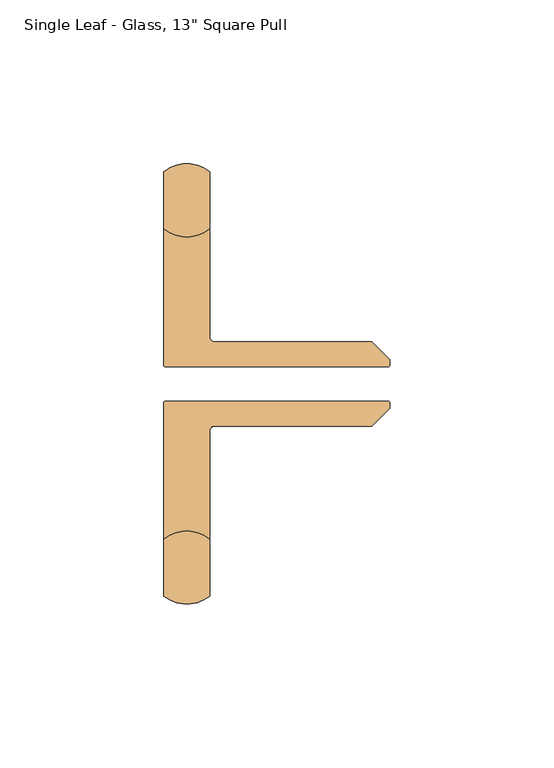
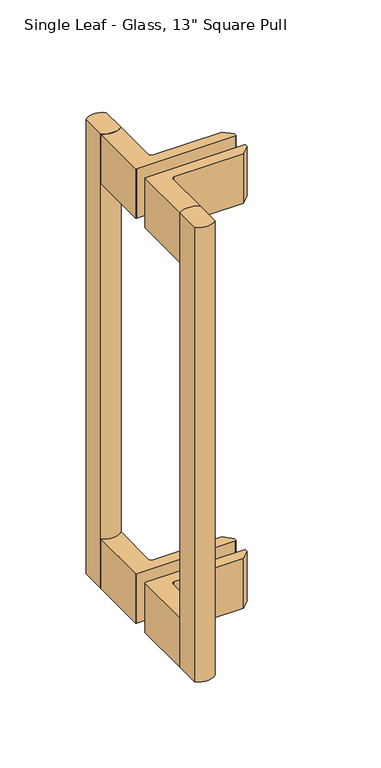
"""IFC4 building model written with IfcOpenShell, lengths in millimetres: door geometry."""

from ifc_helpers import new_model, si_unit, point, frame, frame_2d, origin, place, context, project, spatial, polyline, circle_curve, trimmed, segment, composite_curve, outline, extrude, source, transform, mapped, element, save


def door_c2889df7(model_context):
    return source(origin(), model_context, "Body", "SweptSolid", [
        extrude(outline(composite_curve([segment(trimmed(circle_curve(frame_2d((-43.9125001, 55.3578)), 11.15), [point((-50.9125001, 64.0366536))], [point((-36.9125001, 64.0366536))], False, "CARTESIAN"), True, "CONTINUOUS"), segment(polyline([(-36.9125001, 64.0366536), (-36.9125001, 46.6789464)]), True, "CONTINUOUS"), segment(trimmed(circle_curve(frame_2d((-43.9125001, 55.3578)), 11.15), [point((-36.9125001, 46.6789464))], [point((-50.9125001, 46.6789464))], False, "CARTESIAN"), True, "CONTINUOUS"), segment(polyline([(-50.9125001, 46.6789464), (-50.9125001, 64.0366536)]), True, "CONTINUOUS")], self_intersect=False)), frame((0.0, 0.0, -108.492), z_axis=(0.0, 0.0, 1.0), x_axis=(1.0, 0.0, 0.0)), (0.0, 0.0, 1.0), 330.0),
        extrude(outline(composite_curve([segment(polyline([(-50.9125001, -65.4366536), (-50.9125001, -48.0789464)]), True, "CONTINUOUS"), segment(trimmed(circle_curve(frame_2d((-43.9125001, -56.7578)), 11.15), [point((-50.9125001, -48.0789464))], [point((-36.9125001, -48.0789464))], False, "CARTESIAN"), True, "CONTINUOUS"), segment(polyline([(-36.9125001, -48.0789464), (-36.9125001, -65.4366536)]), True, "CONTINUOUS"), segment(trimmed(circle_curve(frame_2d((-43.9125001, -56.7578)), 11.15), [point((-36.9125001, -65.4366536))], [point((-50.9125001, -65.4366536))], False, "CARTESIAN"), True, "CONTINUOUS")], self_intersect=False)), frame((0.0, 0.0, -108.492), z_axis=(0.0, 0.0, 1.0), x_axis=(1.0, 0.0, 0.0)), (0.0, 0.0, 1.0), 330.0),
        extrude(outline(composite_curve([segment(trimmed(circle_curve(frame_2d((-43.9125001, 55.3578)), 11.15), [point((-50.9125001, 46.6789464))], [point((-36.9125001, 46.6789464))], True, "CARTESIAN"), True, "CONTINUOUS"), segment(polyline([(-36.9125001, 46.6789464), (-36.9125001, 13.6698)]), True, "CONTINUOUS"), segment(trimmed(circle_curve(frame_2d((-35.4125001, 13.6698)), 1.5), [point((-36.9125001, 13.6698))], [point((-35.4125001, 12.1698))], True, "CARTESIAN"), True, "CONTINUOUS"), segment(polyline([(-35.4125001, 12.1698), (12.5392102, 12.1698), (18.0, 6.7090102), (18.0, 5.0578)]), True, "CONTINUOUS"), segment(trimmed(circle_curve(frame_2d((17.5, 5.0578)), 0.5), [point((18.0, 5.0578))], [point((17.5, 4.5578))], False, "CARTESIAN"), True, "CONTINUOUS"), segment(polyline([(17.5, 4.5578), (-50.4125001, 4.5578)]), True, "CONTINUOUS"), segment(trimmed(circle_curve(frame_2d((-50.4125001, 5.0578)), 0.5), [point((-50.4125001, 4.5578))], [point((-50.9125001, 5.0578))], False, "CARTESIAN"), True, "CONTINUOUS"), segment(polyline([(-50.9125001, 5.0578), (-50.9125001, 46.6789464)]), True, "CONTINUOUS")], self_intersect=False)), frame((0.0, 0.0, 185.508), z_axis=(0.0, 0.0, 1.0), x_axis=(1.0, 0.0, 0.0)), (0.0, 0.0, 1.0), 36.0),
        extrude(outline(composite_curve([segment(trimmed(circle_curve(frame_2d((-50.4125001, -6.4578)), 0.5), [point((-50.9125001, -6.4578))], [point((-50.4125001, -5.9578))], False, "CARTESIAN"), True, "CONTINUOUS"), segment(polyline([(-50.4125001, -5.9578), (17.5, -5.9578)]), True, "CONTINUOUS"), segment(trimmed(circle_curve(frame_2d((17.5, -6.4578)), 0.5), [point((17.5, -5.9578))], [point((18.0, -6.4578))], False, "CARTESIAN"), True, "CONTINUOUS"), segment(polyline([(18.0, -6.4578), (18.0, -8.1090102), (12.5392102, -13.5698), (-35.4125001, -13.5698)]), True, "CONTINUOUS"), segment(trimmed(circle_curve(frame_2d((-35.4125001, -15.0698)), 1.5), [point((-35.4125001, -13.5698))], [point((-36.9125001, -15.0698))], True, "CARTESIAN"), True, "CONTINUOUS"), segment(polyline([(-36.9125001, -15.0698), (-36.9125001, -48.0789464)]), True, "CONTINUOUS"), segment(trimmed(circle_curve(frame_2d((-43.9125001, -56.7578)), 11.15), [point((-36.9125001, -48.0789464))], [point((-50.9125001, -48.0789464))], True, "CARTESIAN"), True, "CONTINUOUS"), segment(polyline([(-50.9125001, -48.0789464), (-50.9125001, -6.4578)]), True, "CONTINUOUS")], self_intersect=False)), frame((0.0, 0.0, 185.508), z_axis=(0.0, 0.0, 1.0), x_axis=(1.0, 0.0, 0.0)), (0.0, 0.0, 1.0), 36.0),
        extrude(outline(composite_curve([segment(polyline([(-50.9125001, 5.0578), (-50.9125001, 46.6789464)]), True, "CONTINUOUS"), segment(trimmed(circle_curve(frame_2d((-43.9125001, 55.3578)), 11.15), [point((-50.9125001, 46.6789464))], [point((-36.9125001, 46.6789464))], True, "CARTESIAN"), True, "CONTINUOUS"), segment(polyline([(-36.9125001, 46.6789464), (-36.9125001, 13.6698)]), True, "CONTINUOUS"), segment(trimmed(circle_curve(frame_2d((-35.4125001, 13.6698)), 1.5), [point((-36.9125001, 13.6698))], [point((-35.4125001, 12.1698))], True, "CARTESIAN"), True, "CONTINUOUS"), segment(polyline([(-35.4125001, 12.1698), (12.5392102, 12.1698), (18.0, 6.7090102), (18.0, 5.0578)]), True, "CONTINUOUS"), segment(trimmed(circle_curve(frame_2d((17.5, 5.0578)), 0.5), [point((18.0, 5.0578))], [point((17.5, 4.5578))], False, "CARTESIAN"), True, "CONTINUOUS"), segment(polyline([(17.5, 4.5578), (-50.4125001, 4.5578)]), True, "CONTINUOUS"), segment(trimmed(circle_curve(frame_2d((-50.4125001, 5.0578)), 0.5), [point((-50.4125001, 4.5578))], [point((-50.9125001, 5.0578))], False, "CARTESIAN"), True, "CONTINUOUS")], self_intersect=False)), frame((0.0, 0.0, -108.492), z_axis=(0.0, 0.0, 1.0), x_axis=(1.0, 0.0, 0.0)), (0.0, 0.0, 1.0), 36.0),
        extrude(outline(composite_curve([segment(trimmed(circle_curve(frame_2d((17.5, -6.4578)), 0.5), [point((17.5, -5.9578))], [point((18.0, -6.4578))], False, "CARTESIAN"), True, "CONTINUOUS"), segment(polyline([(18.0, -6.4578), (18.0, -8.1090102), (12.5392102, -13.5698), (-35.4125001, -13.5698)]), True, "CONTINUOUS"), segment(trimmed(circle_curve(frame_2d((-35.4125001, -15.0698)), 1.5), [point((-35.4125001, -13.5698))], [point((-36.9125001, -15.0698))], True, "CARTESIAN"), True, "CONTINUOUS"), segment(polyline([(-36.9125001, -15.0698), (-36.9125001, -48.0789464)]), True, "CONTINUOUS"), segment(trimmed(circle_curve(frame_2d((-43.9125001, -56.7578)), 11.15), [point((-36.9125001, -48.0789464))], [point((-50.9125001, -48.0789464))], True, "CARTESIAN"), True, "CONTINUOUS"), segment(polyline([(-50.9125001, -48.0789464), (-50.9125001, -6.4578)]), True, "CONTINUOUS"), segment(trimmed(circle_curve(frame_2d((-50.4125001, -6.4578)), 0.5), [point((-50.9125001, -6.4578))], [point((-50.4125001, -5.9578))], False, "CARTESIAN"), True, "CONTINUOUS"), segment(polyline([(-50.4125001, -5.9578), (17.5, -5.9578)]), True, "CONTINUOUS")], self_intersect=False)), frame((0.0, 0.0, -108.492), z_axis=(0.0, 0.0, 1.0), x_axis=(1.0, 0.0, 0.0)), (0.0, 0.0, 1.0), 36.0),
    ])


if __name__ == "__main__":
    model = new_model("IFC4")
    model_context = context("Model", 3, world=origin())
    ifc_project = project(units=[si_unit("LENGTHUNIT", "METRE", prefix="MILLI")], contexts=[model_context])
    site = spatial("IfcSite", under=ifc_project)
    building = spatial("IfcBuilding", under=site)
    placement = place(None, origin())
    door_shape = door_c2889df7(model_context)
    element("IfcDoor", 1, ObjectType="Single Leaf - Glass, 13\" Square Pull", at=placement, inside=building, context=model_context, shape_type="MappedRepresentation", body=[
        mapped(door_shape, transform((0.0, 0.0, 0.0), x_axis=(1.0, 0.0, 0.0), y_axis=(0.0, 1.0, 0.0), z_axis=(0.0, 0.0, 1.0))),
    ])
    save(model, "model.ifc")
